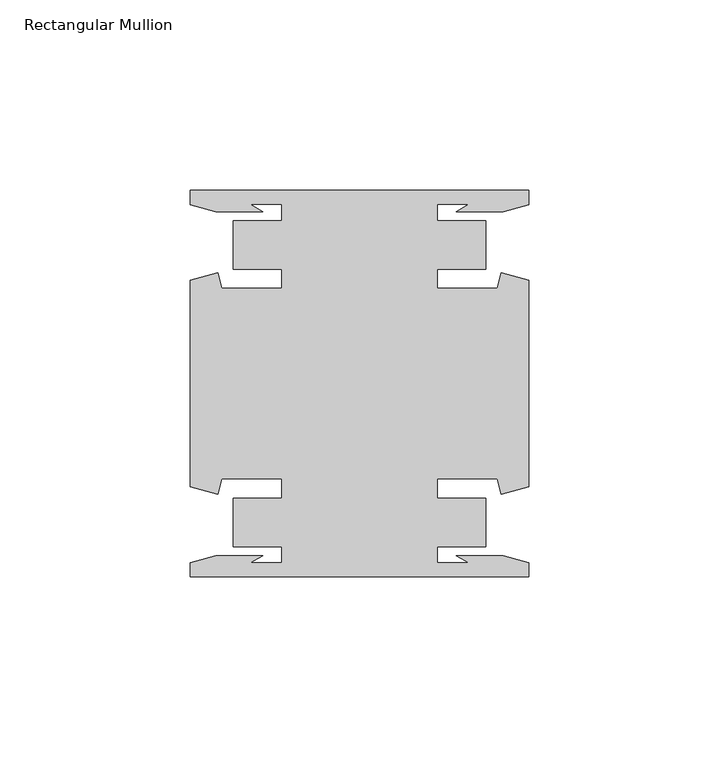
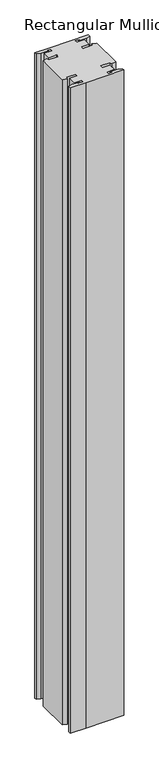
"""IFC4 building model written with IfcOpenShell, lengths in millimetres: member geometry, Rectangular Mullion."""

import ifcopenshell
import ifcopenshell.guid

model = None  # the IFC model being written
_history = None  # IfcOwnerHistory: only IFC2X3 demands one
_inside = {}  # id of a spatial element -> (the spatial element, [elements in it])
_under = {}  # id of a project, library or spatial element -> (it, [spatial elements below it])
_declared = {}  # id of a project -> (the project, [libraries it declares])
_typed = {}  # id of a type object -> (the type object, [elements of that type])
_made_of = {}  # id of a material, layer set ... -> (it, [elements and type objects made of it])


def new_model(schema):
    """Start an empty IFC model of exactly this schema.

    Asked for "IFC4X3", IfcOpenShell would pick the latest addendum, in which some entities
    have other attributes; the version numbers below select the first issue.
    IFC2X3 requires an IfcOwnerHistory on every rooted entity: one is made here for all.
    """
    global model, _history
    if schema == "IFC4X3":
        model = ifcopenshell.file(schema_version=(4, 3, 0, 0))
    else:
        model = ifcopenshell.file(schema=schema)
    _inside.clear()
    _under.clear()
    _declared.clear()
    _typed.clear()
    _made_of.clear()
    _history = None
    if model.schema == "IFC2X3":
        org = make("IfcOrganization", Name="unknown")
        user = make(
            "IfcPersonAndOrganization",
            ThePerson=make("IfcPerson", FamilyName="unknown"),
            TheOrganization=org,
        )
        app = make(
            "IfcApplication",
            ApplicationDeveloper=org,
            Version="unknown",
            ApplicationFullName="unknown",
            ApplicationIdentifier="unknown",
        )
        _history = make(
            "IfcOwnerHistory",
            OwningUser=user,
            OwningApplication=app,
            ChangeAction="ADDED",
            CreationDate=0,
        )
    return model


def make(cls, **values):
    """One entity of the class cls with the attributes given. An attribute that is None is left unset."""
    return model.create_entity(
        cls, **{name: value for name, value in values.items() if value is not None}
    )


def rooted(cls, **values):
    """An entity with a GlobalId (a new one), such as an element, a storey or a relation."""
    return make(cls, GlobalId=ifcopenshell.guid.new(), OwnerHistory=_history, **values)


def si_unit(unit_type, name, prefix=None):
    """IfcSIUnit, for example si_unit("LENGTHUNIT", "METRE", prefix="MILLI")."""
    return make("IfcSIUnit", UnitType=unit_type, Prefix=prefix, Name=name)


def assignment(units):
    """IfcUnitAssignment: the units of a project."""
    return None if units is None else make("IfcUnitAssignment", Units=units)


def point(xyz):
    """IfcCartesianPoint."""
    return None if xyz is None else make("IfcCartesianPoint", Coordinates=xyz)


def direction(xyz):
    """IfcDirection."""
    return None if xyz is None else make("IfcDirection", DirectionRatios=xyz)


def frame(location, z_axis=None, x_axis=None):
    """IfcAxis2Placement3D, a coordinate frame: its origin and axes. An axis left out is left unset."""
    return make(
        "IfcAxis2Placement3D",
        Location=point(location),
        Axis=direction(z_axis),
        RefDirection=direction(x_axis),
    )


def origin():
    """The frame at (0, 0, 0) with its axes left unset."""
    return frame((0.0, 0.0, 0.0))


def place(relative_to, where):
    """IfcLocalPlacement: puts the frame where relative to a parent placement (None: the world)."""
    return make(
        "IfcLocalPlacement", PlacementRelTo=relative_to, RelativePlacement=where
    )


def context(
    kind, dimensions, precision=None, world=None, true_north=None, identifier=None
):
    """IfcGeometricRepresentationContext, for example the 3D "Model" context."""
    return make(
        "IfcGeometricRepresentationContext",
        ContextIdentifier=identifier,
        ContextType=kind,
        CoordinateSpaceDimension=dimensions,
        Precision=precision,
        WorldCoordinateSystem=world,
        TrueNorth=true_north,
    )


def project(units=None, contexts=None):
    """IfcProject with its units and contexts."""
    return rooted(
        "IfcProject",
        Name="project",
        RepresentationContexts=contexts,
        UnitsInContext=assignment(units),
    )


def spatial(cls, under=None, at=None, **own):
    """A site, building, storey or space (cls), placed at a placement, below another one or the project."""
    s = rooted(cls, ObjectPlacement=at, **own)
    if under is not None:
        _under.setdefault(under.id(), (under, []))[1].append(s)
    return s


def polyline(points):
    """IfcPolyline through the points."""
    return make("IfcPolyline", Points=[point(p) for p in points])


def outline(outer, holes=None, kind="AREA"):
    """IfcArbitraryClosedProfileDef: a profile drawn as a closed curve; with holes, ...WithVoids."""
    if holes is None:
        return make("IfcArbitraryClosedProfileDef", ProfileType=kind, OuterCurve=outer)
    return make(
        "IfcArbitraryProfileDefWithVoids",
        ProfileType=kind,
        OuterCurve=outer,
        InnerCurves=holes,
    )


def extrude(swept, where, along, depth):
    """IfcExtrudedAreaSolid: the profile swept, set in the frame where, extruded along a direction by depth."""
    return make(
        "IfcExtrudedAreaSolid",
        SweptArea=swept,
        Position=where,
        ExtrudedDirection=direction(along),
        Depth=depth,
    )


def shape(context_of_items, identifier, shape_type, items):
    """IfcShapeRepresentation: the items that make up one representation, for example the "Body"."""
    return make(
        "IfcShapeRepresentation",
        ContextOfItems=context_of_items,
        RepresentationIdentifier=identifier,
        RepresentationType=shape_type,
        Items=items,
    )


def source(mapping_origin, context_of_items, identifier, shape_type, items):
    """IfcRepresentationMap: a shape defined once, which mapped items show again and again."""
    return make(
        "IfcRepresentationMap",
        MappingOrigin=mapping_origin,
        MappedRepresentation=shape(context_of_items, identifier, shape_type, items),
    )


def transform(
    local_origin,
    x_axis=None,
    y_axis=None,
    z_axis=None,
    scale=None,
    scale2=None,
    scale3=None,
    uniform=True,
):
    """IfcCartesianTransformationOperator3D, or its non-uniform kind. x_axis, y_axis, z_axis: its Axis1, 2, 3."""
    if uniform:
        return make(
            "IfcCartesianTransformationOperator3D",
            Axis1=direction(x_axis),
            Axis2=direction(y_axis),
            LocalOrigin=point(local_origin),
            Scale=scale,
            Axis3=direction(z_axis),
        )
    return make(
        "IfcCartesianTransformationOperator3DnonUniform",
        Axis1=direction(x_axis),
        Axis2=direction(y_axis),
        LocalOrigin=point(local_origin),
        Scale=scale,
        Axis3=direction(z_axis),
        Scale2=scale2,
        Scale3=scale3,
    )


def mapped(mapping_source, mapping_target):
    """IfcMappedItem: shows the shape of a source again, moved by a transform."""
    return make(
        "IfcMappedItem", MappingSource=mapping_source, MappingTarget=mapping_target
    )


def made_of(thing, what):
    """Note that an element or type object is made of a material, layer set ...; save() writes the relation."""
    if what is not None:
        _made_of.setdefault(what.id(), (what, []))[1].append(thing)
    return thing


def element(
    cls,
    number,
    at=None,
    inside=None,
    cuts=None,
    type_object=None,
    material=None,
    context=None,
    identifier="Body",
    shape_type=None,
    held_by="IfcProductDefinitionShape",
    body=None,
    shapes=None,
    **own,
):
    """One element of the class cls, such as IfcWall. Its Tag is "e" and its number.

    at: its placement. inside: the storey or other place that contains it. cuts: it is an
    opening in that element (IfcRelVoidsElement). A single representation is given by context,
    identifier, shape_type and body (its items); several are given by shapes. held_by: the class
    of the entity that holds the representations. save() writes the other relations.
    """
    e = rooted(cls, Tag="e%d" % number, ObjectPlacement=at, **own)
    if body is not None:
        shapes = [shape(context, identifier, shape_type, body)]
    if shapes is not None:
        e.Representation = make(held_by, Representations=shapes)
    if inside is not None:
        _inside.setdefault(inside.id(), (inside, []))[1].append(e)
    if cuts is not None:
        rooted(
            "IfcRelVoidsElement", RelatingBuildingElement=cuts, RelatedOpeningElement=e
        )
    if type_object is not None:
        _typed.setdefault(type_object.id(), (type_object, []))[1].append(e)
    return made_of(e, material)


def aggregate(whole, parts):
    """IfcRelAggregates: a whole, such as a stair, and the parts it consists of."""
    return rooted("IfcRelAggregates", RelatingObject=whole, RelatedObjects=parts)


def save(model, path):
    """Write the relations noted so far, then the file.

    IfcRelAggregates (storeys below a building ...), IfcRelContainedInSpatialStructure (elements
    in a storey), IfcRelDefinesByType, IfcRelAssociatesMaterial and IfcRelDeclares: one each for
    every whole, place, type object, material and project.
    """
    for whole, parts in _under.values():
        aggregate(whole, parts)
    for where, things in _inside.values():
        rooted(
            "IfcRelContainedInSpatialStructure",
            RelatedElements=things,
            RelatingStructure=where,
        )
    for kind, things in _typed.values():
        rooted("IfcRelDefinesByType", RelatedObjects=things, RelatingType=kind)
    for what, things in _made_of.values():
        rooted("IfcRelAssociatesMaterial", RelatedObjects=things, RelatingMaterial=what)
    for by, libraries in _declared.values():
        rooted("IfcRelDeclares", RelatingContext=by, RelatedDefinitions=libraries)
    model.write(path)


def rectangular_mullion_7c1b7b18(model_context):
    return source(origin(), model_context, "Body", "SweptSolid", [
        extrude(outline(polyline([(44.45, 50.7954622), (44.45, 46.9998463), (37.7613002, 45.2076146), (25.4334869, 45.2076146), (28.7505662, 47.1227313), (20.4638425, 47.1227313), (20.4638425, 42.8128906), (33.1638425, 42.8128906), (33.1638425, 30.1128906), (20.4638425, 30.1128906), (20.4638425, 25.0120132), (36.1594033, 25.0120132), (37.2517212, 29.0885993), (44.45, 27.1598263), (44.45, -27.1598263), (37.2517212, -29.0885993), (36.1594033, -25.0120132), (20.4638425, -25.0120132), (20.4638425, -30.1128906), (33.1638425, -30.1128906), (33.1638425, -42.8128906), (20.4638425, -42.8128906), (20.4638425, -47.1227313), (28.7505662, -47.1227313), (25.4334869, -45.2076146), (37.7613002, -45.2076146), (44.45, -46.9998463), (44.45, -50.7954622), (-19.05, -50.7954622), (-44.45, -50.7954622), (-44.45, -46.9998463), (-37.7613002, -45.2076146), (-25.4334869, -45.2076146), (-28.7505662, -47.1227313), (-20.4638425, -47.1227313), (-20.4638425, -42.8128906), (-33.1638425, -42.8128906), (-33.1638425, -30.1128906), (-20.4638425, -30.1128906), (-20.4638425, -25.0120132), (-36.1594033, -25.0120132), (-37.2517212, -29.0885993), (-44.45, -27.1598263), (-44.45, 27.1598263), (-37.2517212, 29.0885993), (-36.1594033, 25.0120132), (-20.4638425, 25.0120132), (-20.4638425, 30.1128906), (-33.1638425, 30.1128906), (-33.1638425, 42.8128906), (-20.4638425, 42.8128906), (-20.4638425, 47.1227313), (-28.7505662, 47.1227313), (-25.4334869, 45.2076146), (-37.7613002, 45.2076146), (-44.45, 46.9998463), (-44.45, 50.7954622), (-19.05, 50.7954622), (44.45, 50.7954622)])), frame((0.0, 0.0, -1133.0533231), z_axis=(0.0, 0.0, 1.0), x_axis=(1.0, 0.0, 0.0)), (0.0, 0.0, 1.0), 1133.0533231),
    ])


if __name__ == "__main__":
    model = new_model("IFC4")
    model_context = context("Model", 3, world=origin())
    ifc_project = project(units=[si_unit("LENGTHUNIT", "METRE", prefix="MILLI")], contexts=[model_context])
    site = spatial("IfcSite", under=ifc_project)
    building = spatial("IfcBuilding", under=site)
    placement = place(None, origin())
    rectangular_mullion_shape = rectangular_mullion_7c1b7b18(model_context)
    element("IfcMember", 1, ObjectType="Rectangular Mullion", at=placement, inside=building, context=model_context, shape_type="MappedRepresentation", body=[
        mapped(rectangular_mullion_shape, transform((0.0, 0.0, 0.0), x_axis=(1.0, 0.0, 0.0), y_axis=(0.0, 1.0, 0.0), z_axis=(0.0, 0.0, 1.0))),
    ])
    save(model, "model.ifc")
